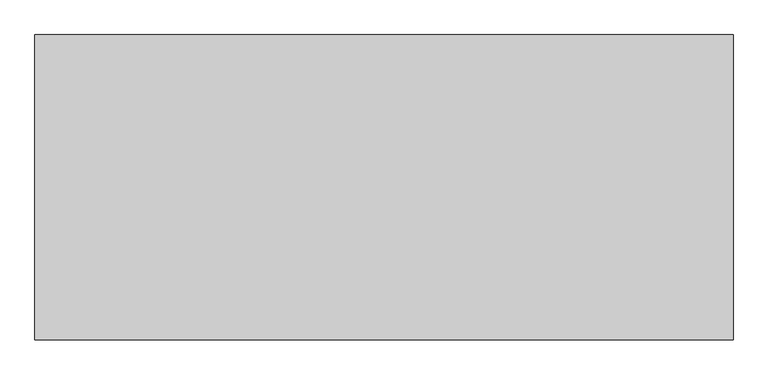
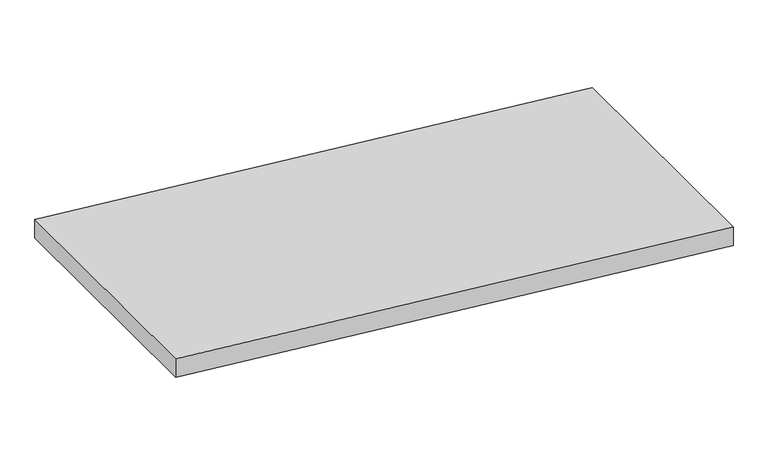
"""IFC4 building model written with IfcOpenShell, lengths in millimetres: ramp geometry."""

import ifcopenshell
import ifcopenshell.guid

model = None  # the IFC model being written
_history = None  # IfcOwnerHistory: only IFC2X3 demands one
_inside = {}  # id of a spatial element -> (the spatial element, [elements in it])
_under = {}  # id of a project, library or spatial element -> (it, [spatial elements below it])
_declared = {}  # id of a project -> (the project, [libraries it declares])
_typed = {}  # id of a type object -> (the type object, [elements of that type])
_made_of = {}  # id of a material, layer set ... -> (it, [elements and type objects made of it])


def new_model(schema):
    """Start an empty IFC model of exactly this schema.

    Asked for "IFC4X3", IfcOpenShell would pick the latest addendum, in which some entities
    have other attributes; the version numbers below select the first issue.
    IFC2X3 requires an IfcOwnerHistory on every rooted entity: one is made here for all.
    """
    global model, _history
    if schema == "IFC4X3":
        model = ifcopenshell.file(schema_version=(4, 3, 0, 0))
    else:
        model = ifcopenshell.file(schema=schema)
    _inside.clear()
    _under.clear()
    _declared.clear()
    _typed.clear()
    _made_of.clear()
    _history = None
    if model.schema == "IFC2X3":
        org = make("IfcOrganization", Name="unknown")
        user = make(
            "IfcPersonAndOrganization",
            ThePerson=make("IfcPerson", FamilyName="unknown"),
            TheOrganization=org,
        )
        app = make(
            "IfcApplication",
            ApplicationDeveloper=org,
            Version="unknown",
            ApplicationFullName="unknown",
            ApplicationIdentifier="unknown",
        )
        _history = make(
            "IfcOwnerHistory",
            OwningUser=user,
            OwningApplication=app,
            ChangeAction="ADDED",
            CreationDate=0,
        )
    return model


def make(cls, **values):
    """One entity of the class cls with the attributes given. An attribute that is None is left unset."""
    return model.create_entity(
        cls, **{name: value for name, value in values.items() if value is not None}
    )


def rooted(cls, **values):
    """An entity with a GlobalId (a new one), such as an element, a storey or a relation."""
    return make(cls, GlobalId=ifcopenshell.guid.new(), OwnerHistory=_history, **values)


def si_unit(unit_type, name, prefix=None):
    """IfcSIUnit, for example si_unit("LENGTHUNIT", "METRE", prefix="MILLI")."""
    return make("IfcSIUnit", UnitType=unit_type, Prefix=prefix, Name=name)


def assignment(units):
    """IfcUnitAssignment: the units of a project."""
    return None if units is None else make("IfcUnitAssignment", Units=units)


def point(xyz):
    """IfcCartesianPoint."""
    return None if xyz is None else make("IfcCartesianPoint", Coordinates=xyz)


def direction(xyz):
    """IfcDirection."""
    return None if xyz is None else make("IfcDirection", DirectionRatios=xyz)


def frame(location, z_axis=None, x_axis=None):
    """IfcAxis2Placement3D, a coordinate frame: its origin and axes. An axis left out is left unset."""
    return make(
        "IfcAxis2Placement3D",
        Location=point(location),
        Axis=direction(z_axis),
        RefDirection=direction(x_axis),
    )


def origin():
    """The frame at (0, 0, 0) with its axes left unset."""
    return frame((0.0, 0.0, 0.0))


def place(relative_to, where):
    """IfcLocalPlacement: puts the frame where relative to a parent placement (None: the world)."""
    return make(
        "IfcLocalPlacement", PlacementRelTo=relative_to, RelativePlacement=where
    )


def context(
    kind, dimensions, precision=None, world=None, true_north=None, identifier=None
):
    """IfcGeometricRepresentationContext, for example the 3D "Model" context."""
    return make(
        "IfcGeometricRepresentationContext",
        ContextIdentifier=identifier,
        ContextType=kind,
        CoordinateSpaceDimension=dimensions,
        Precision=precision,
        WorldCoordinateSystem=world,
        TrueNorth=true_north,
    )


def project(units=None, contexts=None):
    """IfcProject with its units and contexts."""
    return rooted(
        "IfcProject",
        Name="project",
        RepresentationContexts=contexts,
        UnitsInContext=assignment(units),
    )


def spatial(cls, under=None, at=None, **own):
    """A site, building, storey or space (cls), placed at a placement, below another one or the project."""
    s = rooted(cls, ObjectPlacement=at, **own)
    if under is not None:
        _under.setdefault(under.id(), (under, []))[1].append(s)
    return s


def polyline(points):
    """IfcPolyline through the points."""
    return make("IfcPolyline", Points=[point(p) for p in points])


def outline(outer, holes=None, kind="AREA"):
    """IfcArbitraryClosedProfileDef: a profile drawn as a closed curve; with holes, ...WithVoids."""
    if holes is None:
        return make("IfcArbitraryClosedProfileDef", ProfileType=kind, OuterCurve=outer)
    return make(
        "IfcArbitraryProfileDefWithVoids",
        ProfileType=kind,
        OuterCurve=outer,
        InnerCurves=holes,
    )


def extrude(swept, where, along, depth):
    """IfcExtrudedAreaSolid: the profile swept, set in the frame where, extruded along a direction by depth."""
    return make(
        "IfcExtrudedAreaSolid",
        SweptArea=swept,
        Position=where,
        ExtrudedDirection=direction(along),
        Depth=depth,
    )


def shape(context_of_items, identifier, shape_type, items):
    """IfcShapeRepresentation: the items that make up one representation, for example the "Body"."""
    return make(
        "IfcShapeRepresentation",
        ContextOfItems=context_of_items,
        RepresentationIdentifier=identifier,
        RepresentationType=shape_type,
        Items=items,
    )


def source(mapping_origin, context_of_items, identifier, shape_type, items):
    """IfcRepresentationMap: a shape defined once, which mapped items show again and again."""
    return make(
        "IfcRepresentationMap",
        MappingOrigin=mapping_origin,
        MappedRepresentation=shape(context_of_items, identifier, shape_type, items),
    )


def transform(
    local_origin,
    x_axis=None,
    y_axis=None,
    z_axis=None,
    scale=None,
    scale2=None,
    scale3=None,
    uniform=True,
):
    """IfcCartesianTransformationOperator3D, or its non-uniform kind. x_axis, y_axis, z_axis: its Axis1, 2, 3."""
    if uniform:
        return make(
            "IfcCartesianTransformationOperator3D",
            Axis1=direction(x_axis),
            Axis2=direction(y_axis),
            LocalOrigin=point(local_origin),
            Scale=scale,
            Axis3=direction(z_axis),
        )
    return make(
        "IfcCartesianTransformationOperator3DnonUniform",
        Axis1=direction(x_axis),
        Axis2=direction(y_axis),
        LocalOrigin=point(local_origin),
        Scale=scale,
        Axis3=direction(z_axis),
        Scale2=scale2,
        Scale3=scale3,
    )


def mapped(mapping_source, mapping_target):
    """IfcMappedItem: shows the shape of a source again, moved by a transform."""
    return make(
        "IfcMappedItem", MappingSource=mapping_source, MappingTarget=mapping_target
    )


def made_of(thing, what):
    """Note that an element or type object is made of a material, layer set ...; save() writes the relation."""
    if what is not None:
        _made_of.setdefault(what.id(), (what, []))[1].append(thing)
    return thing


def element(
    cls,
    number,
    at=None,
    inside=None,
    cuts=None,
    type_object=None,
    material=None,
    context=None,
    identifier="Body",
    shape_type=None,
    held_by="IfcProductDefinitionShape",
    body=None,
    shapes=None,
    **own,
):
    """One element of the class cls, such as IfcWall. Its Tag is "e" and its number.

    at: its placement. inside: the storey or other place that contains it. cuts: it is an
    opening in that element (IfcRelVoidsElement). A single representation is given by context,
    identifier, shape_type and body (its items); several are given by shapes. held_by: the class
    of the entity that holds the representations. save() writes the other relations.
    """
    e = rooted(cls, Tag="e%d" % number, ObjectPlacement=at, **own)
    if body is not None:
        shapes = [shape(context, identifier, shape_type, body)]
    if shapes is not None:
        e.Representation = make(held_by, Representations=shapes)
    if inside is not None:
        _inside.setdefault(inside.id(), (inside, []))[1].append(e)
    if cuts is not None:
        rooted(
            "IfcRelVoidsElement", RelatingBuildingElement=cuts, RelatedOpeningElement=e
        )
    if type_object is not None:
        _typed.setdefault(type_object.id(), (type_object, []))[1].append(e)
    return made_of(e, material)


def aggregate(whole, parts):
    """IfcRelAggregates: a whole, such as a stair, and the parts it consists of."""
    return rooted("IfcRelAggregates", RelatingObject=whole, RelatedObjects=parts)


def save(model, path):
    """Write the relations noted so far, then the file.

    IfcRelAggregates (storeys below a building ...), IfcRelContainedInSpatialStructure (elements
    in a storey), IfcRelDefinesByType, IfcRelAssociatesMaterial and IfcRelDeclares: one each for
    every whole, place, type object, material and project.
    """
    for whole, parts in _under.values():
        aggregate(whole, parts)
    for where, things in _inside.values():
        rooted(
            "IfcRelContainedInSpatialStructure",
            RelatedElements=things,
            RelatingStructure=where,
        )
    for kind, things in _typed.values():
        rooted("IfcRelDefinesByType", RelatedObjects=things, RelatingType=kind)
    for what, things in _made_of.values():
        rooted("IfcRelAssociatesMaterial", RelatedObjects=things, RelatingMaterial=what)
    for by, libraries in _declared.values():
        rooted("IfcRelDeclares", RelatingContext=by, RelatedDefinitions=libraries)
    model.write(path)


def ramp_f884092f(model_context):
    return source(origin(), model_context, "Body", "SweptSolid", [
        extrude(outline(polyline([(-500.0, 1142.7882356), (-70.0, -3157.2117644), (-220.7481343, -3157.2117644), (-650.7481343, 1142.7882356), (-500.0, 1142.7882356)])), frame((0.0, 18912.3976828, 0.0), z_axis=(0.0, 1.0, 0.0), x_axis=(0.0, 0.0, 1.0)), (0.0, 0.0, 1.0), 1880.0),
    ])


if __name__ == "__main__":
    model = new_model("IFC4")
    model_context = context("Model", 3, world=origin())
    ifc_project = project(units=[si_unit("LENGTHUNIT", "METRE", prefix="MILLI")], contexts=[model_context])
    site = spatial("IfcSite", under=ifc_project)
    building = spatial("IfcBuilding", under=site)
    placement = place(None, origin())
    ramp_shape = ramp_f884092f(model_context)
    element("IfcRamp", 1, at=placement, inside=building, context=model_context, shape_type="MappedRepresentation", body=[
        mapped(ramp_shape, transform((0.0, 0.0, 0.0), x_axis=(1.0, 0.0, 0.0), y_axis=(0.0, 1.0, 0.0), z_axis=(0.0, 0.0, 1.0))),
    ])
    save(model, "model.ifc")
